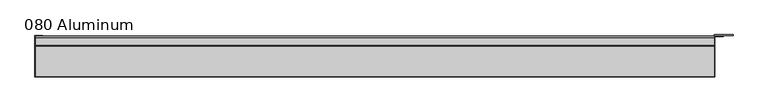
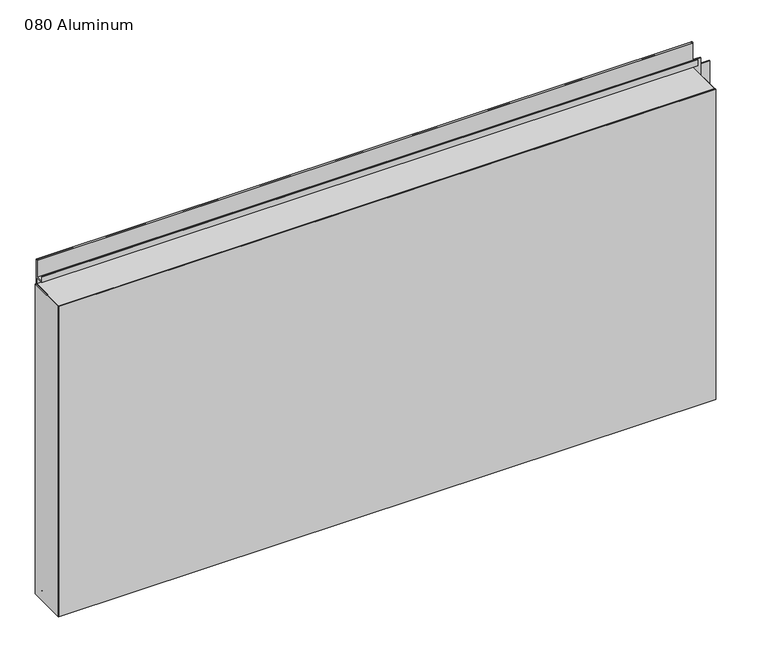
"""IFC4 building model written with IfcOpenShell, lengths in millimetres: plate geometry, 080 Aluminum."""

from ifc_helpers import new_model, si_unit, point, frame, frame_2d, origin, origin_with_axes, place, context, project, spatial, polyline, circle_curve, trimmed, segment, composite_curve, outline, extrude, source, transform, mapped, element, save


def plate_080_aluminum_3b37b46b(model_context):
    return source(origin(), model_context, "Body", "SweptSolid", [
        extrude(outline(polyline([(-614.68, -2.5660257), (-614.68, -74.9300001), (-615.9499999, -74.9300001), (-615.9499999, -1.2699999), (-601.7894994, -1.2699999), (-601.7894994, -2.5660257), (-614.68, -2.5660257)])), origin_with_axes(), (0.0, 0.0, 1.0), 608.33),
        extrude(outline(composite_curve([segment(polyline([(-16.6765477, 13.1458337), (-16.6765477, 2.786437), (-17.9464915, 2.786437), (-17.9464915, 13.1323356)]), True, "CONTINUOUS"), segment(trimmed(circle_curve(frame_2d((-19.8514743, 13.124237)), 1.905), [point((-17.9464915, 13.1323356))], [point((-21.7564743, 13.124237))], True, "CARTESIAN"), True, "CONTINUOUS"), segment(polyline([(-21.7564743, 13.124237), (-21.7564743, 0.0), (-74.9300002, 0.0), (-74.9300002, 1.2693678), (-23.0264743, 1.2693678), (-23.0264743, 13.124237)]), True, "CONTINUOUS"), segment(trimmed(circle_curve(frame_2d((-19.8514743, 13.124237)), 3.175), [point((-23.0264743, 13.124237))], [point((-16.6765477, 13.1458337))], False, "CARTESIAN"), True, "CONTINUOUS")], self_intersect=False)), frame((-614.68, 0.0, 0.0), z_axis=(1.0, 0.0, 0.0), x_axis=(0.0, 1.0, 0.0)), (0.0, 0.0, 1.0), 1216.66),
        extrude(outline(composite_curve([segment(polyline([(-2.0574743, 656.7932001), (-2.0574743, 608.33), (-74.9300002, 608.33), (-74.9300002, 609.6000001), (-3.3274743, 609.6000001), (-3.3274743, 656.7932001)]), True, "CONTINUOUS"), segment(trimmed(circle_curve(frame_2d((-3.7084742, 656.7932001)), 0.3809999), [point((-3.3274743, 656.7932001))], [point((-4.0894742, 656.7932001))], True, "CARTESIAN"), True, "CONTINUOUS"), segment(polyline([(-4.0894742, 656.7932001), (-4.0894742, 622.3), (-20.4864742, 622.3), (-20.4864742, 633.6538), (-19.2164743, 633.6538), (-19.2164743, 623.57), (-5.3594742, 623.57), (-5.3594742, 656.7932001)]), True, "CONTINUOUS"), segment(trimmed(circle_curve(frame_2d((-3.7084742, 656.7932001)), 1.6509999), [point((-5.3594742, 656.7932001))], [point((-2.0574743, 656.7932001))], False, "CARTESIAN"), True, "CONTINUOUS")], self_intersect=False)), frame((-614.68, 0.0, 0.0), z_axis=(1.0, 0.0, 0.0), x_axis=(0.0, 1.0, 0.0)), (0.0, 0.0, 1.0), 1216.66),
        extrude(outline(polyline([(-615.95, -76.2), (-615.95, -74.9300001), (603.25, -74.9300001), (603.25, -76.2), (-615.95, -76.2)])), origin_with_axes(), (0.0, 0.0, 1.0), 609.6),
        extrude(outline(polyline([(603.25, -1.2699999), (603.25, -74.9300002), (601.9800001, -74.9300002), (601.9800001, 0.0), (635.7620856, 0.0), (635.7620856, -1.2699999), (603.25, -1.2699999)])), origin_with_axes(), (0.0, 0.0, 1.0), 608.33),
        extrude(outline(polyline([(601.98, -3.3274743), (601.98, -2.0574743), (617.7279999, -2.0574743), (617.7279999, -3.3274743), (601.98, -3.3274743)])), origin_with_axes(), (0.0, 0.0, 1.0), 622.3),
    ])


if __name__ == "__main__":
    model = new_model("IFC4")
    model_context = context("Model", 3, world=origin())
    ifc_project = project(units=[si_unit("LENGTHUNIT", "METRE", prefix="MILLI")], contexts=[model_context])
    site = spatial("IfcSite", under=ifc_project)
    building = spatial("IfcBuilding", under=site)
    placement = place(None, origin())
    plate_080_aluminum_shape = plate_080_aluminum_3b37b46b(model_context)
    element("IfcPlate", 1, ObjectType="080 Aluminum", at=placement, inside=building, context=model_context, shape_type="MappedRepresentation", body=[
        mapped(plate_080_aluminum_shape, transform((0.0, 0.0, 0.0), x_axis=(1.0, 0.0, 0.0), y_axis=(0.0, 1.0, 0.0), z_axis=(0.0, 0.0, 1.0))),
    ])
    save(model, "model.ifc")
